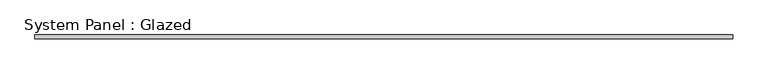
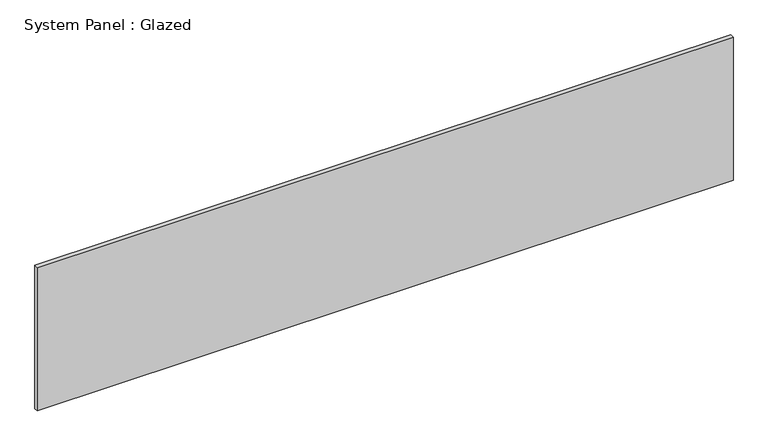
"""IFC4 building model written with IfcOpenShell, lengths in millimetres: plate geometry, System Panel : Glazed."""

from ifc_helpers import new_model, si_unit, origin, origin_with_axes, place, context, project, spatial, polyline, outline, extrude, source, transform, mapped, element, save


def system_panel_glazed_1c272bbf(model_context):
    return source(origin(), model_context, "Body", "SweptSolid", [
        extrude(outline(polyline([(2300.0, 24.5), (-2300.0, 24.5), (-2300.0, 49.5), (2300.0, 49.5), (2300.0, 24.5)])), origin_with_axes(), (0.0, 0.0, 1.0), 1000.0),
    ])


if __name__ == "__main__":
    model = new_model("IFC4")
    model_context = context("Model", 3, world=origin())
    ifc_project = project(units=[si_unit("LENGTHUNIT", "METRE", prefix="MILLI")], contexts=[model_context])
    site = spatial("IfcSite", under=ifc_project)
    building = spatial("IfcBuilding", under=site)
    placement = place(None, origin())
    system_panel_glazed_shape = system_panel_glazed_1c272bbf(model_context)
    element("IfcPlate", 1, ObjectType="System Panel : Glazed", at=placement, inside=building, context=model_context, shape_type="MappedRepresentation", body=[
        mapped(system_panel_glazed_shape, transform((0.0, 0.0, 0.0), x_axis=(1.0, 0.0, 0.0), y_axis=(0.0, 1.0, 0.0), z_axis=(0.0, 0.0, 1.0))),
    ])
    save(model, "model.ifc")
